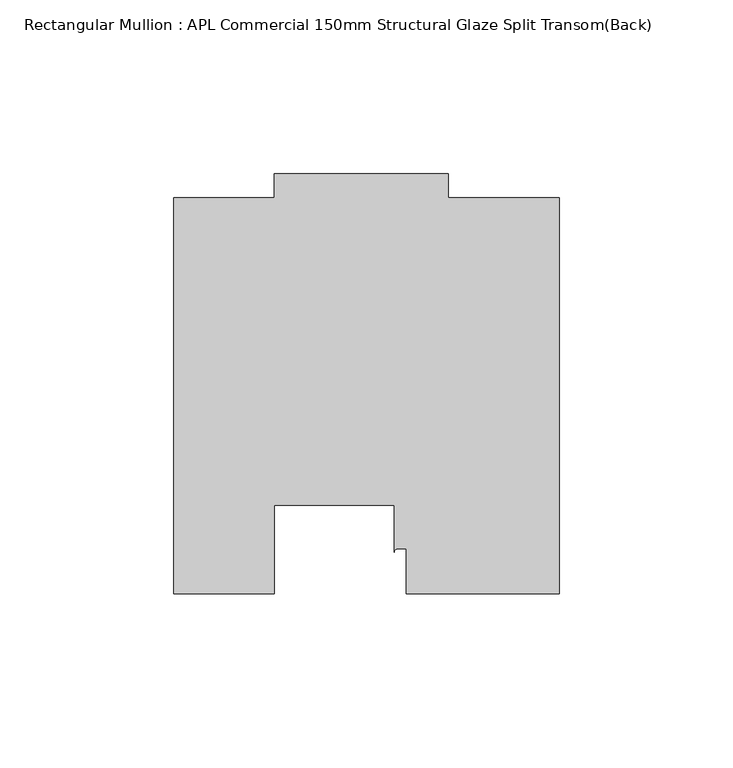
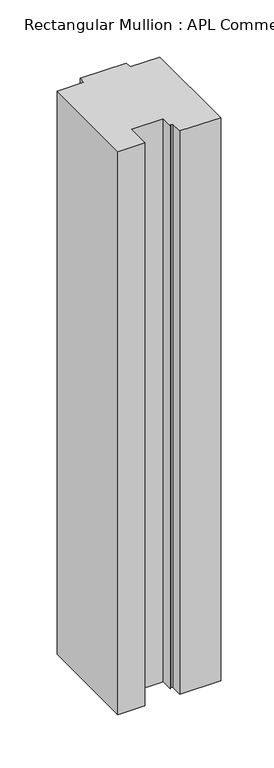
"""IFC4 building model written with IfcOpenShell, lengths in millimetres: member geometry, Rectangular Mullion : APL Commercial 150mm Structural Glaze Split Transom(Back)."""

from ifc_helpers import new_model, si_unit, point, frame, frame_2d, origin, place, context, project, spatial, polyline, circle_curve, trimmed, segment, composite_curve, outline, extrude, source, transform, mapped, element, save


def rectangular_mullion_apl_commercial_150mm_structural_glaze_6fe4b8e0(model_context):
    return source(origin(), model_context, "Body", "SweptSolid", [
        extrude(outline(composite_curve([segment(polyline([(54.0000029, 15.0004617), (10.0000029, 15.0004617), (10.0000029, 28.0002131), (7.5000029, 28.0002131)]), True, "CONTINUOUS"), segment(trimmed(circle_curve(frame_2d((7.5000029, 27.0002131)), 1.0), [point((7.5000029, 28.0002131))], [point((6.5000029, 27.0002131))], True, "CARTESIAN"), True, "CONTINUOUS"), segment(polyline([(6.5000029, 27.0002131), (6.5000029, 40.499932), (-28.0000482, 40.499932), (-28.0000482, 15.0001793), (-57.0000004, 15.0001793), (-57.0000004, 129.0002765), (-27.9971154, 129.0002765), (-27.9971154, 136.0003326), (22.0028846, 136.0003326), (22.0028846, 129.0003326), (54.0000029, 129.0003326), (54.0000029, 15.0004617)]), True, "CONTINUOUS")], self_intersect=False)), frame((0.0, 0.0, -644.0249631), z_axis=(0.0, 0.0, 1.0), x_axis=(1.0, 0.0, 0.0)), (0.0, 0.0, 1.0), 644.0249631),
    ])


if __name__ == "__main__":
    model = new_model("IFC4")
    model_context = context("Model", 3, world=origin())
    ifc_project = project(units=[si_unit("LENGTHUNIT", "METRE", prefix="MILLI")], contexts=[model_context])
    site = spatial("IfcSite", under=ifc_project)
    building = spatial("IfcBuilding", under=site)
    placement = place(None, origin())
    rectangular_mullion_apl_commercial_150mm_structural_glaze_shape = rectangular_mullion_apl_commercial_150mm_structural_glaze_6fe4b8e0(model_context)
    element("IfcMember", 1, ObjectType="Rectangular Mullion : APL Commercial 150mm Structural Glaze Split Transom(Back)", at=placement, inside=building, context=model_context, shape_type="MappedRepresentation", body=[
        mapped(rectangular_mullion_apl_commercial_150mm_structural_glaze_shape, transform((0.0, 0.0, 0.0), x_axis=(1.0, 0.0, 0.0), y_axis=(0.0, 1.0, 0.0), z_axis=(0.0, 0.0, 1.0))),
    ])
    save(model, "model.ifc")
